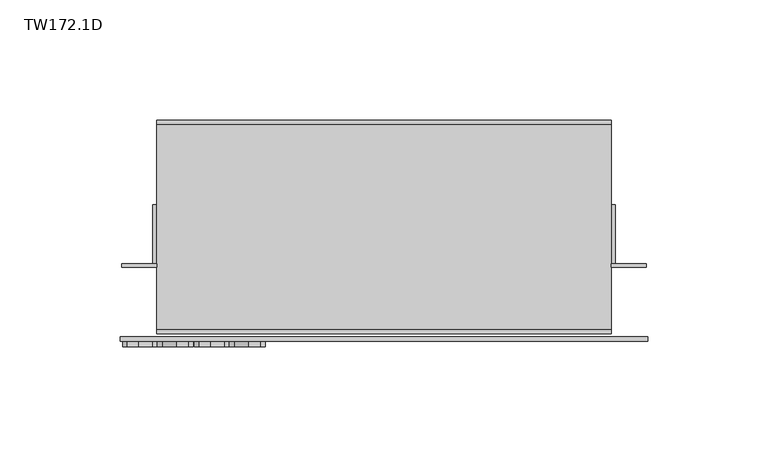
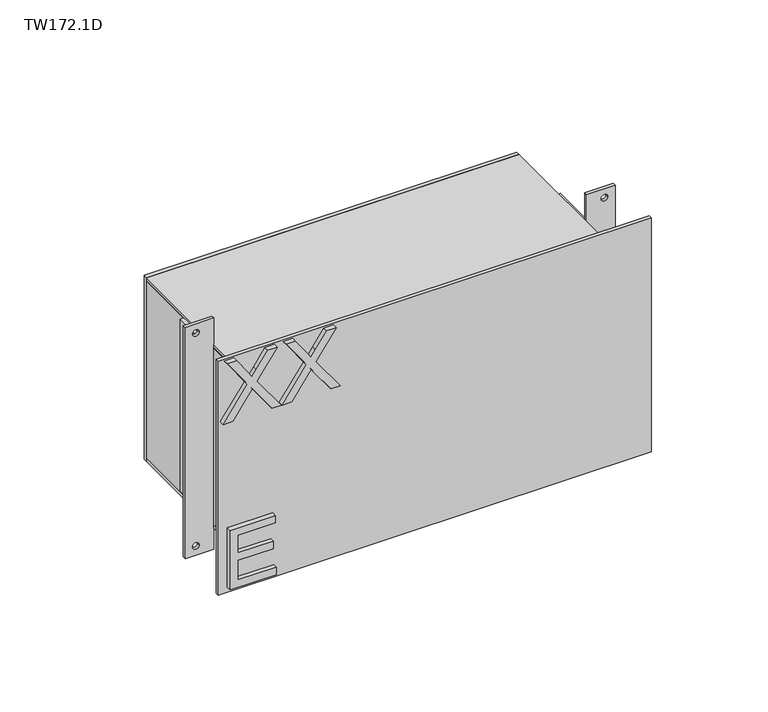
"""IFC4 building model written with IfcOpenShell, lengths in millimetres: furniture geometry, TW172.1D."""

from ifc_helpers import new_model, si_unit, point, frame, frame_2d, origin, place, context, project, spatial, polyline, circle_curve, trimmed, segment, composite_curve, outline, extrude, source, transform, mapped, element, save


def tw172_1d_836603b0(model_context):
    return source(origin(), model_context, "Body", "SweptSolid", [
        extrude(outline(polyline([(1444.915024, -86.6045977), (1444.915024, -63.1817963), (1448.9018838, -63.1817963), (1448.9018838, -82.6177379), (1459.3673908, -82.6177379), (1459.3673908, -64.6768688), (1463.3542507, -64.6768688), (1463.3542507, -82.6177379), (1472.8230427, -82.6177379), (1472.8230427, -63.6801538), (1476.8099025, -63.6801538), (1476.8099025, -86.6045977), (1444.915024, -86.6045977)])), frame((0.0, -30.559375, 0.0), z_axis=(0.0, 1.0, 0.0), x_axis=(0.0, 0.0, 1.0)), (0.0, 0.0, 1.0), 2.38125),
        extrude(outline(polyline([(1534.8773799, -90.0931001), (1534.8773799, -85.2419015), (1546.1994388, -77.2448214), (1548.8313892, -75.368194), (1546.4330438, -73.662877), (1534.8773799, -65.471126), (1534.8773799, -60.690009), (1552.2108758, -72.9854223), (1566.7722583, -62.6834389), (1566.7722583, -67.5346374), (1558.6583757, -73.2735352), (1555.4190521, -75.5628649), (1558.6038678, -77.5173606), (1566.7722583, -83.3185531), (1566.7722583, -88.0996701), (1552.2575968, -77.7976867), (1534.8773799, -90.0931001)])), frame((0.0, -30.559375, 0.0), z_axis=(0.0, 1.0, 0.0), x_axis=(0.0, 0.0, 1.0)), (0.0, 0.0, 1.0), 2.38125),
        extrude(outline(polyline([(1534.8773799, -60.1916515), (1534.8773799, -55.3404529), (1546.1994388, -47.3433728), (1548.8313892, -45.4667454), (1546.4330438, -43.7614284), (1534.8773799, -35.5696774), (1534.8773799, -30.7885604), (1552.2108758, -43.0839738), (1566.7722583, -32.7819903), (1566.7722583, -37.6331889), (1558.6583757, -43.3720867), (1555.4190521, -45.6614163), (1558.6038678, -47.615912), (1566.7722583, -53.4171045), (1566.7722583, -58.1982216), (1552.2575968, -47.8962381), (1534.8773799, -60.1916515)])), frame((0.0, -30.559375, 0.0), z_axis=(0.0, 1.0, 0.0), x_axis=(0.0, 0.0, 1.0)), (0.0, 0.0, 1.0), 2.38125),
        extrude(outline(polyline([(113.2435643, -25.1023438), (-75.7681545, -25.1023437), (-75.7681545, -23.5148437), (113.2435643, -23.5148437), (113.2435643, -25.1023438)])), frame((0.0, 0.0, 1539.875), z_axis=(0.0, 0.0, 1.0), x_axis=(1.0, 0.0, 0.0)), (0.0, 0.0, 1.0), 12.7),
        extrude(outline(polyline([(113.2435643, -25.1023438), (-75.7681545, -25.1023437), (-75.7681545, -23.5148437), (113.2435643, -23.5148437), (113.2435643, -25.1023438)])), frame((0.0, 0.0, 1454.15), z_axis=(0.0, 0.0, 1.0), x_axis=(1.0, 0.0, 0.0)), (0.0, 0.0, 1.0), 12.7),
        extrude(outline(polyline([(113.2435643, 63.7976562), (113.2435643, 62.0117187), (-75.7681545, 62.0117187), (-75.7681545, 63.7976562), (113.2435643, 63.7976562)])), frame((0.0, 0.0, 1454.15), z_axis=(0.0, 0.0, 1.0), x_axis=(1.0, 0.0, 0.0)), (0.0, 0.0, 1.0), 98.425),
        extrude(outline(polyline([(-73.982217, -23.5148437), (-75.7681545, -23.5148437), (-75.7681545, 62.0117188), (-73.982217, 62.0117188), (-73.982217, -23.5148437)])), frame((0.0, 0.0, 1455.9359375), z_axis=(0.0, 0.0, 1.0), x_axis=(1.0, 0.0, 0.0)), (0.0, 0.0, 1.0), 94.853125),
        extrude(outline(polyline([(113.2435643, -23.5148437), (111.4576268, -23.5148437), (111.4576268, 62.0117187), (113.2435643, 62.0117187), (113.2435643, -23.5148437)])), frame((0.0, 0.0, 1455.9359375), z_axis=(0.0, 0.0, 1.0), x_axis=(1.0, 0.0, 0.0)), (0.0, 0.0, 1.0), 94.853125),
        extrude(outline(polyline([(113.2435643, -23.5148437), (-75.7681545, -23.5148437), (-75.7681545, 62.0117188), (113.2435643, 62.0117187), (113.2435643, -23.5148437)])), frame((0.0, 0.0, 1550.7890625), z_axis=(0.0, 0.0, 1.0), x_axis=(1.0, 0.0, 0.0)), (0.0, 0.0, 1.0), 1.7859375),
        extrude(outline(polyline([(113.2435643, -23.5148437), (-75.7681545, -23.5148437), (-75.7681545, 62.0117188), (113.2435643, 62.0117187), (113.2435643, -23.5148437)])), frame((0.0, 0.0, 1454.15), z_axis=(0.0, 0.0, 1.0), x_axis=(1.0, 0.0, 0.0)), (0.0, 0.0, 1.0), 1.7859375),
        extrude(outline(polyline([(-75.7681545, 28.6742188), (-75.7681545, 4.0679688), (-77.554092, 4.0679688), (-77.554092, 28.6742188), (-75.7681545, 28.6742188)])), frame((0.0, 0.0, 1458.9125), z_axis=(0.0, 0.0, 1.0), x_axis=(1.0, 0.0, 0.0)), (0.0, 0.0, 1.0), 92.1742187),
        extrude(outline(polyline([(115.0295018, 28.6742188), (115.0295018, 4.0679688), (113.2435643, 4.0679688), (113.2435643, 28.6742188), (115.0295018, 28.6742188)])), frame((0.0, 0.0, 1458.9125), z_axis=(0.0, 0.0, 1.0), x_axis=(1.0, 0.0, 0.0)), (0.0, 0.0, 1.0), 92.1742187),
        extrude(outline(polyline([(1566.9617187, -75.7681545), (1566.9617187, -90.3533107), (1443.0375, -90.3533107), (1443.0375, -75.7681545), (1566.9617187, -75.7681545)]), holes=[composite_curve([segment(trimmed(circle_curve(frame_2d((1562.1, -84.8962795)), 1.6867188), [point((1562.1, -86.5829982))], [point((1562.1, -83.2095607))], True, "CARTESIAN"), True, "CONTINUOUS"), segment(trimmed(circle_curve(frame_2d((1562.1, -84.8962795)), 1.6867188), [point((1562.1, -83.2095607))], [point((1562.1, -86.5829982))], True, "CARTESIAN"), True, "CONTINUOUS")], self_intersect=False), composite_curve([segment(trimmed(circle_curve(frame_2d((1447.8992188, -84.8962795)), 1.6867188), [point((1447.8992188, -86.5829982))], [point((1447.8992188, -83.2095607))], True, "CARTESIAN"), True, "CONTINUOUS"), segment(trimmed(circle_curve(frame_2d((1447.8992188, -84.8962795)), 1.6867188), [point((1447.8992188, -83.2095607))], [point((1447.8992188, -86.5829982))], True, "CARTESIAN"), True, "CONTINUOUS")], self_intersect=False)]), frame((0.0, 2.4804688, 0.0), z_axis=(0.0, 1.0, 0.0), x_axis=(0.0, 0.0, 1.0)), (0.0, 0.0, 1.0), 1.5875),
        extrude(outline(polyline([(1566.9617187, 127.8287205), (1566.9617187, 113.2435643), (1443.0375, 113.2435643), (1443.0375, 127.8287205), (1566.9617187, 127.8287205)]), holes=[composite_curve([segment(trimmed(circle_curve(frame_2d((1562.1, 122.3716893)), 1.6867188), [point((1562.1, 120.6849705))], [point((1562.1, 124.058408))], True, "CARTESIAN"), True, "CONTINUOUS"), segment(trimmed(circle_curve(frame_2d((1562.1, 122.3716893)), 1.6867188), [point((1562.1, 124.058408))], [point((1562.1, 120.6849705))], True, "CARTESIAN"), True, "CONTINUOUS")], self_intersect=False), composite_curve([segment(trimmed(circle_curve(frame_2d((1447.8992188, 122.3716893)), 1.6867188), [point((1447.8992188, 120.6849705))], [point((1447.8992188, 124.058408))], True, "CARTESIAN"), True, "CONTINUOUS"), segment(trimmed(circle_curve(frame_2d((1447.8992188, 122.3716893)), 1.6867188), [point((1447.8992188, 124.058408))], [point((1447.8992188, 120.6849705))], True, "CARTESIAN"), True, "CONTINUOUS")], self_intersect=False)]), frame((0.0, 2.4804688, 0.0), z_axis=(0.0, 1.0, 0.0), x_axis=(0.0, 0.0, 1.0)), (0.0, 0.0, 1.0), 1.5875),
        extrude(outline(polyline([(128.5728612, -28.178125), (-91.0974513, -28.178125), (-91.0974513, -26.2929687), (128.5728612, -26.2929687), (128.5728612, -28.178125)])), frame((0.0, 0.0, 1442.24375), z_axis=(0.0, 0.0, 1.0), x_axis=(1.0, 0.0, 0.0)), (0.0, 0.0, 1.0), 125.5117188),
    ])


if __name__ == "__main__":
    model = new_model("IFC4")
    model_context = context("Model", 3, world=origin())
    ifc_project = project(units=[si_unit("LENGTHUNIT", "METRE", prefix="MILLI")], contexts=[model_context])
    site = spatial("IfcSite", under=ifc_project)
    building = spatial("IfcBuilding", under=site)
    placement = place(None, origin())
    tw172_1d_shape = tw172_1d_836603b0(model_context)
    element("IfcFurniture", 1, ObjectType="TW172.1D", at=placement, inside=building, context=model_context, shape_type="MappedRepresentation", body=[
        mapped(tw172_1d_shape, transform((0.0, 0.0, 0.0), x_axis=(1.0, 0.0, 0.0), y_axis=(0.0, 1.0, 0.0), z_axis=(0.0, 0.0, 1.0))),
    ])
    save(model, "model.ifc")
